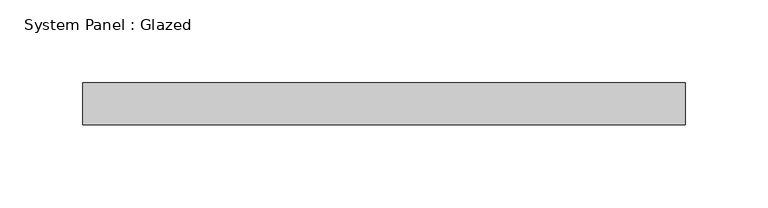
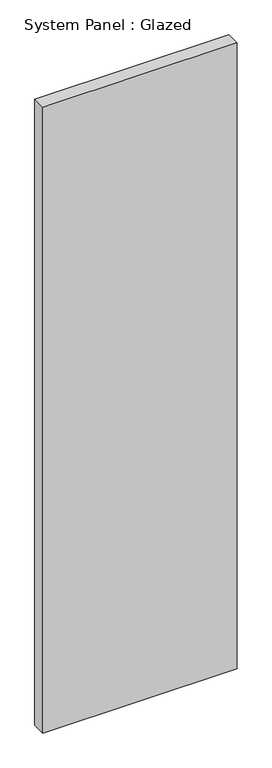
"""IFC4 building model written with IfcOpenShell, lengths in millimetres: plate geometry, System Panel : Glazed."""

import ifcopenshell
import ifcopenshell.guid

model = None  # the IFC model being written
_history = None  # IfcOwnerHistory: only IFC2X3 demands one
_inside = {}  # id of a spatial element -> (the spatial element, [elements in it])
_under = {}  # id of a project, library or spatial element -> (it, [spatial elements below it])
_declared = {}  # id of a project -> (the project, [libraries it declares])
_typed = {}  # id of a type object -> (the type object, [elements of that type])
_made_of = {}  # id of a material, layer set ... -> (it, [elements and type objects made of it])


def new_model(schema):
    """Start an empty IFC model of exactly this schema.

    Asked for "IFC4X3", IfcOpenShell would pick the latest addendum, in which some entities
    have other attributes; the version numbers below select the first issue.
    IFC2X3 requires an IfcOwnerHistory on every rooted entity: one is made here for all.
    """
    global model, _history
    if schema == "IFC4X3":
        model = ifcopenshell.file(schema_version=(4, 3, 0, 0))
    else:
        model = ifcopenshell.file(schema=schema)
    _inside.clear()
    _under.clear()
    _declared.clear()
    _typed.clear()
    _made_of.clear()
    _history = None
    if model.schema == "IFC2X3":
        org = make("IfcOrganization", Name="unknown")
        user = make(
            "IfcPersonAndOrganization",
            ThePerson=make("IfcPerson", FamilyName="unknown"),
            TheOrganization=org,
        )
        app = make(
            "IfcApplication",
            ApplicationDeveloper=org,
            Version="unknown",
            ApplicationFullName="unknown",
            ApplicationIdentifier="unknown",
        )
        _history = make(
            "IfcOwnerHistory",
            OwningUser=user,
            OwningApplication=app,
            ChangeAction="ADDED",
            CreationDate=0,
        )
    return model


def make(cls, **values):
    """One entity of the class cls with the attributes given. An attribute that is None is left unset."""
    return model.create_entity(
        cls, **{name: value for name, value in values.items() if value is not None}
    )


def rooted(cls, **values):
    """An entity with a GlobalId (a new one), such as an element, a storey or a relation."""
    return make(cls, GlobalId=ifcopenshell.guid.new(), OwnerHistory=_history, **values)


def si_unit(unit_type, name, prefix=None):
    """IfcSIUnit, for example si_unit("LENGTHUNIT", "METRE", prefix="MILLI")."""
    return make("IfcSIUnit", UnitType=unit_type, Prefix=prefix, Name=name)


def assignment(units):
    """IfcUnitAssignment: the units of a project."""
    return None if units is None else make("IfcUnitAssignment", Units=units)


def point(xyz):
    """IfcCartesianPoint."""
    return None if xyz is None else make("IfcCartesianPoint", Coordinates=xyz)


def direction(xyz):
    """IfcDirection."""
    return None if xyz is None else make("IfcDirection", DirectionRatios=xyz)


def frame(location, z_axis=None, x_axis=None):
    """IfcAxis2Placement3D, a coordinate frame: its origin and axes. An axis left out is left unset."""
    return make(
        "IfcAxis2Placement3D",
        Location=point(location),
        Axis=direction(z_axis),
        RefDirection=direction(x_axis),
    )


def origin():
    """The frame at (0, 0, 0) with its axes left unset."""
    return frame((0.0, 0.0, 0.0))


def origin_with_axes():
    """The frame at (0, 0, 0) with the z axis (0, 0, 1) and the x axis (1, 0, 0) written out."""
    return frame((0.0, 0.0, 0.0), z_axis=(0.0, 0.0, 1.0), x_axis=(1.0, 0.0, 0.0))


def place(relative_to, where):
    """IfcLocalPlacement: puts the frame where relative to a parent placement (None: the world)."""
    return make(
        "IfcLocalPlacement", PlacementRelTo=relative_to, RelativePlacement=where
    )


def context(
    kind, dimensions, precision=None, world=None, true_north=None, identifier=None
):
    """IfcGeometricRepresentationContext, for example the 3D "Model" context."""
    return make(
        "IfcGeometricRepresentationContext",
        ContextIdentifier=identifier,
        ContextType=kind,
        CoordinateSpaceDimension=dimensions,
        Precision=precision,
        WorldCoordinateSystem=world,
        TrueNorth=true_north,
    )


def project(units=None, contexts=None):
    """IfcProject with its units and contexts."""
    return rooted(
        "IfcProject",
        Name="project",
        RepresentationContexts=contexts,
        UnitsInContext=assignment(units),
    )


def spatial(cls, under=None, at=None, **own):
    """A site, building, storey or space (cls), placed at a placement, below another one or the project."""
    s = rooted(cls, ObjectPlacement=at, **own)
    if under is not None:
        _under.setdefault(under.id(), (under, []))[1].append(s)
    return s


def polyline(points):
    """IfcPolyline through the points."""
    return make("IfcPolyline", Points=[point(p) for p in points])


def outline(outer, holes=None, kind="AREA"):
    """IfcArbitraryClosedProfileDef: a profile drawn as a closed curve; with holes, ...WithVoids."""
    if holes is None:
        return make("IfcArbitraryClosedProfileDef", ProfileType=kind, OuterCurve=outer)
    return make(
        "IfcArbitraryProfileDefWithVoids",
        ProfileType=kind,
        OuterCurve=outer,
        InnerCurves=holes,
    )


def extrude(swept, where, along, depth):
    """IfcExtrudedAreaSolid: the profile swept, set in the frame where, extruded along a direction by depth."""
    return make(
        "IfcExtrudedAreaSolid",
        SweptArea=swept,
        Position=where,
        ExtrudedDirection=direction(along),
        Depth=depth,
    )


def shape(context_of_items, identifier, shape_type, items):
    """IfcShapeRepresentation: the items that make up one representation, for example the "Body"."""
    return make(
        "IfcShapeRepresentation",
        ContextOfItems=context_of_items,
        RepresentationIdentifier=identifier,
        RepresentationType=shape_type,
        Items=items,
    )


def source(mapping_origin, context_of_items, identifier, shape_type, items):
    """IfcRepresentationMap: a shape defined once, which mapped items show again and again."""
    return make(
        "IfcRepresentationMap",
        MappingOrigin=mapping_origin,
        MappedRepresentation=shape(context_of_items, identifier, shape_type, items),
    )


def transform(
    local_origin,
    x_axis=None,
    y_axis=None,
    z_axis=None,
    scale=None,
    scale2=None,
    scale3=None,
    uniform=True,
):
    """IfcCartesianTransformationOperator3D, or its non-uniform kind. x_axis, y_axis, z_axis: its Axis1, 2, 3."""
    if uniform:
        return make(
            "IfcCartesianTransformationOperator3D",
            Axis1=direction(x_axis),
            Axis2=direction(y_axis),
            LocalOrigin=point(local_origin),
            Scale=scale,
            Axis3=direction(z_axis),
        )
    return make(
        "IfcCartesianTransformationOperator3DnonUniform",
        Axis1=direction(x_axis),
        Axis2=direction(y_axis),
        LocalOrigin=point(local_origin),
        Scale=scale,
        Axis3=direction(z_axis),
        Scale2=scale2,
        Scale3=scale3,
    )


def mapped(mapping_source, mapping_target):
    """IfcMappedItem: shows the shape of a source again, moved by a transform."""
    return make(
        "IfcMappedItem", MappingSource=mapping_source, MappingTarget=mapping_target
    )


def made_of(thing, what):
    """Note that an element or type object is made of a material, layer set ...; save() writes the relation."""
    if what is not None:
        _made_of.setdefault(what.id(), (what, []))[1].append(thing)
    return thing


def element(
    cls,
    number,
    at=None,
    inside=None,
    cuts=None,
    type_object=None,
    material=None,
    context=None,
    identifier="Body",
    shape_type=None,
    held_by="IfcProductDefinitionShape",
    body=None,
    shapes=None,
    **own,
):
    """One element of the class cls, such as IfcWall. Its Tag is "e" and its number.

    at: its placement. inside: the storey or other place that contains it. cuts: it is an
    opening in that element (IfcRelVoidsElement). A single representation is given by context,
    identifier, shape_type and body (its items); several are given by shapes. held_by: the class
    of the entity that holds the representations. save() writes the other relations.
    """
    e = rooted(cls, Tag="e%d" % number, ObjectPlacement=at, **own)
    if body is not None:
        shapes = [shape(context, identifier, shape_type, body)]
    if shapes is not None:
        e.Representation = make(held_by, Representations=shapes)
    if inside is not None:
        _inside.setdefault(inside.id(), (inside, []))[1].append(e)
    if cuts is not None:
        rooted(
            "IfcRelVoidsElement", RelatingBuildingElement=cuts, RelatedOpeningElement=e
        )
    if type_object is not None:
        _typed.setdefault(type_object.id(), (type_object, []))[1].append(e)
    return made_of(e, material)


def aggregate(whole, parts):
    """IfcRelAggregates: a whole, such as a stair, and the parts it consists of."""
    return rooted("IfcRelAggregates", RelatingObject=whole, RelatedObjects=parts)


def save(model, path):
    """Write the relations noted so far, then the file.

    IfcRelAggregates (storeys below a building ...), IfcRelContainedInSpatialStructure (elements
    in a storey), IfcRelDefinesByType, IfcRelAssociatesMaterial and IfcRelDeclares: one each for
    every whole, place, type object, material and project.
    """
    for whole, parts in _under.values():
        aggregate(whole, parts)
    for where, things in _inside.values():
        rooted(
            "IfcRelContainedInSpatialStructure",
            RelatedElements=things,
            RelatingStructure=where,
        )
    for kind, things in _typed.values():
        rooted("IfcRelDefinesByType", RelatedObjects=things, RelatingType=kind)
    for what, things in _made_of.values():
        rooted("IfcRelAssociatesMaterial", RelatedObjects=things, RelatingMaterial=what)
    for by, libraries in _declared.values():
        rooted("IfcRelDeclares", RelatingContext=by, RelatedDefinitions=libraries)
    model.write(path)


def system_panel_glazed_a93bc19f(model_context):
    return source(origin(), model_context, "Body", "SweptSolid", [
        extrude(outline(polyline([(182.225, -44.45), (-182.225, -44.45), (-182.225, -19.05), (182.225, -19.05), (182.225, -44.45)])), origin_with_axes(), (0.0, 0.0, 1.0), 1240.0),
    ])


if __name__ == "__main__":
    model = new_model("IFC4")
    model_context = context("Model", 3, world=origin())
    ifc_project = project(units=[si_unit("LENGTHUNIT", "METRE", prefix="MILLI")], contexts=[model_context])
    site = spatial("IfcSite", under=ifc_project)
    building = spatial("IfcBuilding", under=site)
    placement = place(None, origin())
    system_panel_glazed_shape = system_panel_glazed_a93bc19f(model_context)
    element("IfcPlate", 1, ObjectType="System Panel : Glazed", at=placement, inside=building, context=model_context, shape_type="MappedRepresentation", body=[
        mapped(system_panel_glazed_shape, transform((0.0, 0.0, 0.0), x_axis=(1.0, 0.0, 0.0), y_axis=(0.0, 1.0, 0.0), z_axis=(0.0, 0.0, 1.0))),
    ])
    save(model, "model.ifc")
